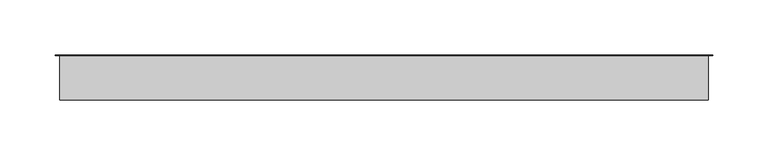
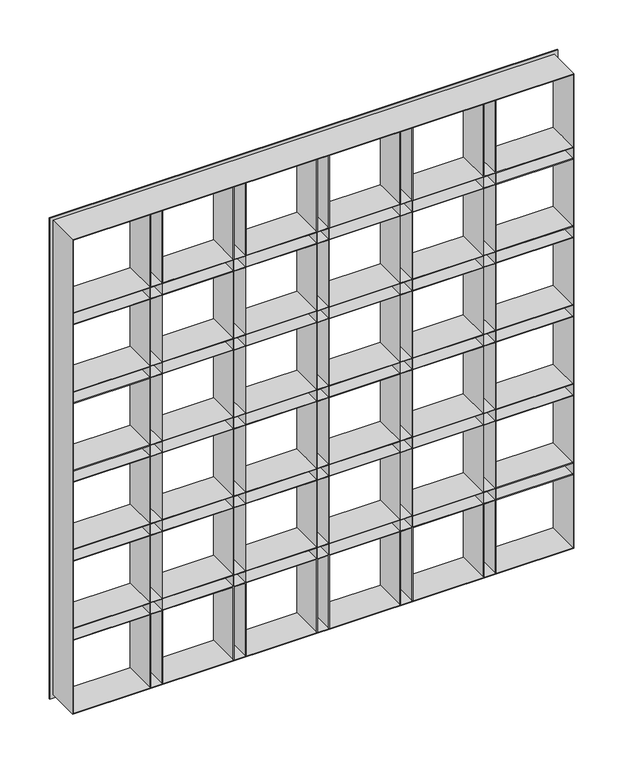
"""IFC4 building model written with IfcOpenShell, lengths in millimetres: plate geometry."""

from ifc_helpers import new_model, si_unit, origin, place, context, project, spatial, faceted_brep, source, transform, mapped, element, save


def plate_c7c22a5e(model_context):
    return source(origin(), model_context, "Body", "Brep", [
        faceted_brep([(-298.5, 0.0, -6.0), (-298.5, 0.0, 591.0), (298.5, 0.0, 591.0), (298.5, 0.0, -6.0), (-293.5, 0.0, 586.0), (-293.5, 0.0, 495.6666667), (-203.1666667, 0.0, 495.6666667), (-203.1666667, 0.0, 586.0), (293.5, 0.0, 495.6666667), (293.5, 0.0, 586.0), (203.1666667, 0.0, 586.0), (203.1666667, 0.0, 495.6666667), (188.1666667, 0.0, 495.6666667), (188.1666667, 0.0, 586.0), (105.3333333, 0.0, 586.0), (105.3333333, 0.0, 495.6666667), (293.5, 0.0, 480.6666667), (203.1666667, 0.0, 480.6666667), (203.1666667, 0.0, 397.8333333), (293.5, 0.0, 397.8333333), (203.1666667, 0.0, -1.0), (293.5, 0.0, -1.0), (293.5, 0.0, 89.3333333), (203.1666667, 0.0, 89.3333333), (293.5, 0.0, 382.8333333), (203.1666667, 0.0, 382.8333333), (203.1666667, 0.0, 300.0), (293.5, 0.0, 300.0), (-293.5, 0.0, 480.6666667), (-293.5, 0.0, 397.8333333), (-203.1666667, 0.0, 397.8333333), (-203.1666667, 0.0, 480.6666667), (188.1666667, 0.0, 397.8333333), (188.1666667, 0.0, 480.6666667), (105.3333333, 0.0, 480.6666667), (105.3333333, 0.0, 397.8333333), (293.5, 0.0, 285.0), (203.1666667, 0.0, 285.0), (203.1666667, 0.0, 202.1666667), (293.5, 0.0, 202.1666667), (-293.5, 0.0, 382.8333333), (-293.5, 0.0, 300.0), (-203.1666667, 0.0, 300.0), (-203.1666667, 0.0, 382.8333333), (188.1666667, 0.0, 300.0), (188.1666667, 0.0, 382.8333333), (105.3333333, 0.0, 382.8333333), (105.3333333, 0.0, 300.0), (293.5, 0.0, 187.1666667), (203.1666667, 0.0, 187.1666667), (203.1666667, 0.0, 104.3333333), (293.5, 0.0, 104.3333333), (-293.5, 0.0, 285.0), (-293.5, 0.0, 202.1666667), (-203.1666667, 0.0, 202.1666667), (-203.1666667, 0.0, 285.0), (188.1666667, 0.0, 202.1666667), (188.1666667, 0.0, 285.0), (105.3333333, 0.0, 285.0), (105.3333333, 0.0, 202.1666667), (-293.5, 0.0, 187.1666667), (-293.5, 0.0, 104.3333333), (-203.1666667, 0.0, 104.3333333), (-203.1666667, 0.0, 187.1666667), (-293.5, 0.0, 89.3333333), (-293.5, 0.0, -1.0), (-203.1666667, 0.0, -1.0), (-203.1666667, 0.0, 89.3333333), (188.1666667, 0.0, 104.3333333), (188.1666667, 0.0, 187.1666667), (105.3333333, 0.0, 187.1666667), (105.3333333, 0.0, 104.3333333), (188.1666667, 0.0, -1.0), (188.1666667, 0.0, 89.3333333), (105.3333333, 0.0, 89.3333333), (105.3333333, 0.0, -1.0), (90.3333333, 0.0, 495.6666667), (90.3333333, 0.0, 586.0), (7.5, 0.0, 586.0), (7.5, 0.0, 495.6666667), (90.3333333, 0.0, 397.8333333), (90.3333333, 0.0, 480.6666667), (7.5, 0.0, 480.6666667), (7.5, 0.0, 397.8333333), (90.3333333, 0.0, 300.0), (90.3333333, 0.0, 382.8333333), (7.5, 0.0, 382.8333333), (7.5, 0.0, 300.0), (90.3333333, 0.0, 202.1666667), (90.3333333, 0.0, 285.0), (7.5, 0.0, 285.0), (7.5, 0.0, 202.1666667), (90.3333333, 0.0, 104.3333333), (90.3333333, 0.0, 187.1666667), (7.5, 0.0, 187.1666667), (7.5, 0.0, 104.3333333), (90.3333333, 0.0, -1.0), (90.3333333, 0.0, 89.3333333), (7.5, 0.0, 89.3333333), (7.5, 0.0, -1.0), (-7.5, 0.0, 495.6666667), (-7.5, 0.0, 586.0), (-90.3333333, 0.0, 586.0), (-90.3333333, 0.0, 495.6666667), (-7.5, 0.0, 397.8333333), (-7.5, 0.0, 480.6666667), (-90.3333333, 0.0, 480.6666667), (-90.3333333, 0.0, 397.8333333), (-7.5, 0.0, 300.0), (-7.5, 0.0, 382.8333333), (-90.3333333, 0.0, 382.8333333), (-90.3333333, 0.0, 300.0), (-7.5, 0.0, 202.1666667), (-7.5, 0.0, 285.0), (-90.3333333, 0.0, 285.0), (-90.3333333, 0.0, 202.1666667), (-7.5, 0.0, 104.3333333), (-7.5, 0.0, 187.1666667), (-90.3333333, 0.0, 187.1666667), (-90.3333333, 0.0, 104.3333333), (-7.5, 0.0, -1.0), (-7.5, 0.0, 89.3333333), (-90.3333333, 0.0, 89.3333333), (-90.3333333, 0.0, -1.0), (-188.1666667, 0.0, 104.3333333), (-105.3333333, 0.0, 104.3333333), (-105.3333333, 0.0, 187.1666667), (-188.1666667, 0.0, 187.1666667), (-188.1666667, 0.0, 202.1666667), (-105.3333333, 0.0, 202.1666667), (-105.3333333, 0.0, 285.0), (-188.1666667, 0.0, 285.0), (-188.1666667, 0.0, 300.0), (-105.3333333, 0.0, 300.0), (-105.3333333, 0.0, 382.8333333), (-188.1666667, 0.0, 382.8333333), (-188.1666667, 0.0, 397.8333333), (-105.3333333, 0.0, 397.8333333), (-105.3333333, 0.0, 480.6666667), (-188.1666667, 0.0, 480.6666667), (-188.1666667, 0.0, 495.6666667), (-105.3333333, 0.0, 495.6666667), (-105.3333333, 0.0, 586.0), (-188.1666667, 0.0, 586.0), (-188.1666667, 0.0, -1.0), (-105.3333333, 0.0, -1.0), (-105.3333333, 0.0, 89.3333333), (-188.1666667, 0.0, 89.3333333), (-293.5, -40.0, 495.6666667), (-203.1666667, -40.0, 495.6666667), (293.5, -40.0, 495.6666667), (203.1666667, -40.0, 495.6666667), (188.9666667, -40.0, 495.6666667), (202.3666667, -40.0, 495.6666667), (202.3666667, -0.8, 495.6666667), (188.9666667, -0.8, 495.6666667), (188.1666667, -40.0, 495.6666667), (105.3333333, -40.0, 495.6666667), (91.1333333, -40.0, 495.6666667), (104.5333333, -40.0, 495.6666667), (104.5333333, -0.8, 495.6666667), (91.1333333, -0.8, 495.6666667), (90.3333333, -40.0, 495.6666667), (7.5, -40.0, 495.6666667), (-6.7, -40.0, 495.6666667), (6.7, -40.0, 495.6666667), (6.7, -0.8, 495.6666667), (-6.7, -0.8, 495.6666667), (-7.5, -40.0, 495.6666667), (-90.3333333, -40.0, 495.6666667), (-202.3666667, -40.0, 495.6666667), (-188.9666667, -40.0, 495.6666667), (-188.9666667, -0.8, 495.6666667), (-202.3666667, -0.8, 495.6666667), (-188.1666667, -40.0, 495.6666667), (-105.3333333, -40.0, 495.6666667), (-104.5333333, -40.0, 495.6666667), (-91.1333333, -40.0, 495.6666667), (-91.1333333, -0.8, 495.6666667), (-104.5333333, -0.8, 495.6666667), (-293.5, -40.0, 494.8666667), (-203.1666667, -40.0, 494.8666667), (-203.1666667, -40.0, 481.4666667), (-293.5, -40.0, 481.4666667), (-293.5, -40.0, 480.6666667), (-203.1666667, -40.0, 480.6666667), (-203.1666667, -40.0, 397.8333333), (-293.5, -40.0, 397.8333333), (-293.5, -40.0, 397.0333333), (-203.1666667, -40.0, 397.0333333), (-203.1666667, -40.0, 383.6333333), (-293.5, -40.0, 383.6333333), (-293.5, -40.0, 382.8333333), (-203.1666667, -40.0, 382.8333333), (-203.1666667, -40.0, 300.0), (-293.5, -40.0, 300.0), (-293.5, -40.0, 299.2), (-203.1666667, -40.0, 299.2), (-203.1666667, -40.0, 285.8), (-293.5, -40.0, 285.8), (-293.5, -40.0, 285.0), (-203.1666667, -40.0, 285.0), (-203.1666667, -40.0, 202.1666667), (-293.5, -40.0, 202.1666667), (-293.5, -40.0, 201.3666667), (-203.1666667, -40.0, 201.3666667), (-203.1666667, -40.0, 187.9666667), (-293.5, -40.0, 187.9666667), (-293.5, -40.0, 187.1666667), (-203.1666667, -40.0, 187.1666667), (-203.1666667, -40.0, 104.3333333), (-293.5, -40.0, 104.3333333), (-293.5, -40.0, 103.5333333), (-203.1666667, -40.0, 103.5333333), (-203.1666667, -40.0, 90.1333333), (-293.5, -40.0, 90.1333333), (-293.5, -40.0, 89.3333333), (-203.1666667, -40.0, 89.3333333), (-203.1666667, -40.0, -1.0), (-202.3666667, -40.0, -1.0), (-202.3666667, -40.0, 89.3333333), (-188.9666667, -40.0, 89.3333333), (-188.9666667, -40.0, -1.0), (-188.1666667, -40.0, -1.0), (-188.1666667, -40.0, 89.3333333), (-105.3333333, -40.0, 89.3333333), (-105.3333333, -40.0, -1.0), (-104.5333333, -40.0, -1.0), (-104.5333333, -40.0, 89.3333333), (-91.1333333, -40.0, 89.3333333), (-91.1333333, -40.0, -1.0), (-90.3333333, -40.0, -1.0), (-90.3333333, -40.0, 89.3333333), (-7.5, -40.0, 89.3333333), (-7.5, -40.0, -1.0), (-6.7, -40.0, -1.0), (-6.7, -40.0, 89.3333333), (6.7, -40.0, 89.3333333), (6.7, -40.0, -1.0), (7.5, -40.0, -1.0), (7.5, -40.0, 89.3333333), (90.3333333, -40.0, 89.3333333), (90.3333333, -40.0, -1.0), (91.1333333, -40.0, -1.0), (91.1333333, -40.0, 89.3333333), (104.5333333, -40.0, 89.3333333), (104.5333333, -40.0, -1.0), (105.3333333, -40.0, -1.0), (105.3333333, -40.0, 89.3333333), (188.1666667, -40.0, 89.3333333), (188.1666667, -40.0, -1.0), (188.9666667, -40.0, -1.0), (188.9666667, -40.0, 89.3333333), (202.3666667, -40.0, 89.3333333), (202.3666667, -40.0, -1.0), (203.1666667, -40.0, -1.0), (203.1666667, -40.0, 89.3333333), (293.5, -40.0, 89.3333333), (293.5, -40.0, 90.1333333), (203.1666667, -40.0, 90.1333333), (203.1666667, -40.0, 103.5333333), (293.5, -40.0, 103.5333333), (293.5, -40.0, 104.3333333), (203.1666667, -40.0, 104.3333333), (203.1666667, -40.0, 187.1666667), (293.5, -40.0, 187.1666667), (293.5, -40.0, 187.9666667), (203.1666667, -40.0, 187.9666667), (203.1666667, -40.0, 201.3666667), (293.5, -40.0, 201.3666667), (293.5, -40.0, 202.1666667), (203.1666667, -40.0, 202.1666667), (203.1666667, -40.0, 285.0), (293.5, -40.0, 285.0), (293.5, -40.0, 285.8), (203.1666667, -40.0, 285.8), (203.1666667, -40.0, 299.2), (293.5, -40.0, 299.2), (293.5, -40.0, 300.0), (203.1666667, -40.0, 300.0), (203.1666667, -40.0, 382.8333333), (293.5, -40.0, 382.8333333), (293.5, -40.0, 383.6333333), (203.1666667, -40.0, 383.6333333), (203.1666667, -40.0, 397.0333333), (293.5, -40.0, 397.0333333), (293.5, -40.0, 397.8333333), (203.1666667, -40.0, 397.8333333), (203.1666667, -40.0, 480.6666667), (293.5, -40.0, 480.6666667), (293.5, -40.0, 481.4666667), (203.1666667, -40.0, 481.4666667), (203.1666667, -40.0, 494.8666667), (293.5, -40.0, 494.8666667), (203.1666667, -40.0, 586.0), (202.3666667, -40.0, 586.0), (188.9666667, -40.0, 586.0), (188.1666667, -40.0, 586.0), (105.3333333, -40.0, 586.0), (104.5333333, -40.0, 586.0), (91.1333333, -40.0, 586.0), (90.3333333, -40.0, 586.0), (7.5, -40.0, 586.0), (6.7, -40.0, 586.0), (-6.7, -40.0, 586.0), (-7.5, -40.0, 586.0), (-90.3333333, -40.0, 586.0), (-91.1333333, -40.0, 586.0), (-104.5333333, -40.0, 586.0), (-105.3333333, -40.0, 586.0), (-188.1666667, -40.0, 586.0), (-188.9666667, -40.0, 586.0), (-202.3666667, -40.0, 586.0), (-203.1666667, -40.0, 586.0), (188.9666667, -40.0, 494.8666667), (202.3666667, -40.0, 494.8666667), (202.3666667, -40.0, 481.4666667), (188.9666667, -40.0, 481.4666667), (188.1666667, -40.0, 494.8666667), (188.1666667, -40.0, 481.4666667), (105.3333333, -40.0, 481.4666667), (105.3333333, -40.0, 494.8666667), (188.9666667, -40.0, 480.6666667), (202.3666667, -40.0, 480.6666667), (202.3666667, -40.0, 397.8333333), (188.9666667, -40.0, 397.8333333), (202.3666667, -40.0, 397.0333333), (202.3666667, -40.0, 383.6333333), (188.9666667, -40.0, 383.6333333), (188.9666667, -40.0, 397.0333333), (188.1666667, -40.0, 480.6666667), (188.1666667, -40.0, 397.8333333), (105.3333333, -40.0, 397.8333333), (105.3333333, -40.0, 480.6666667), (188.1666667, -40.0, 397.0333333), (188.1666667, -40.0, 383.6333333), (105.3333333, -40.0, 383.6333333), (105.3333333, -40.0, 397.0333333), (188.9666667, -40.0, 382.8333333), (202.3666667, -40.0, 382.8333333), (202.3666667, -40.0, 300.0), (188.9666667, -40.0, 300.0), (188.1666667, -40.0, 382.8333333), (188.1666667, -40.0, 300.0), (105.3333333, -40.0, 300.0), (105.3333333, -40.0, 382.8333333), (188.1666667, -40.0, 299.2), (188.1666667, -40.0, 285.8), (105.3333333, -40.0, 285.8), (105.3333333, -40.0, 299.2), (202.3666667, -40.0, 299.2), (202.3666667, -40.0, 285.8), (188.9666667, -40.0, 285.8), (188.9666667, -40.0, 299.2), (188.9666667, -40.0, 285.0), (202.3666667, -40.0, 285.0), (202.3666667, -40.0, 202.1666667), (188.9666667, -40.0, 202.1666667), (188.1666667, -40.0, 285.0), (188.1666667, -40.0, 202.1666667), (105.3333333, -40.0, 202.1666667), (105.3333333, -40.0, 285.0), (188.1666667, -40.0, 201.3666667), (188.1666667, -40.0, 187.9666667), (105.3333333, -40.0, 187.9666667), (105.3333333, -40.0, 201.3666667), (202.3666667, -40.0, 201.3666667), (202.3666667, -40.0, 187.9666667), (188.9666667, -40.0, 187.9666667), (188.9666667, -40.0, 201.3666667), (188.9666667, -40.0, 187.1666667), (202.3666667, -40.0, 187.1666667), (202.3666667, -40.0, 104.3333333), (188.9666667, -40.0, 104.3333333), (188.1666667, -40.0, 187.1666667), (188.1666667, -40.0, 104.3333333), (105.3333333, -40.0, 104.3333333), (105.3333333, -40.0, 187.1666667), (188.1666667, -40.0, 103.5333333), (188.1666667, -40.0, 90.1333333), (105.3333333, -40.0, 90.1333333), (105.3333333, -40.0, 103.5333333), (202.3666667, -40.0, 103.5333333), (202.3666667, -40.0, 90.1333333), (188.9666667, -40.0, 90.1333333), (188.9666667, -40.0, 103.5333333), (91.1333333, -40.0, 494.8666667), (104.5333333, -40.0, 494.8666667), (104.5333333, -40.0, 481.4666667), (91.1333333, -40.0, 481.4666667), (91.1333333, -40.0, 480.6666667), (104.5333333, -40.0, 480.6666667), (104.5333333, -40.0, 397.8333333), (91.1333333, -40.0, 397.8333333), (91.1333333, -40.0, 397.0333333), (104.5333333, -40.0, 397.0333333), (104.5333333, -40.0, 383.6333333), (91.1333333, -40.0, 383.6333333), (91.1333333, -40.0, 382.8333333), (104.5333333, -40.0, 382.8333333), (104.5333333, -40.0, 300.0), (91.1333333, -40.0, 300.0), (91.1333333, -40.0, 299.2), (104.5333333, -40.0, 299.2), (104.5333333, -40.0, 285.8), (91.1333333, -40.0, 285.8), (91.1333333, -40.0, 285.0), (104.5333333, -40.0, 285.0), (104.5333333, -40.0, 202.1666667), (91.1333333, -40.0, 202.1666667), (91.1333333, -40.0, 201.3666667), (104.5333333, -40.0, 201.3666667), (104.5333333, -40.0, 187.9666667), (91.1333333, -40.0, 187.9666667), (91.1333333, -40.0, 187.1666667), (104.5333333, -40.0, 187.1666667), (104.5333333, -40.0, 104.3333333), (91.1333333, -40.0, 104.3333333), (91.1333333, -40.0, 103.5333333), (104.5333333, -40.0, 103.5333333), (104.5333333, -40.0, 90.1333333), (91.1333333, -40.0, 90.1333333), (90.3333333, -40.0, 494.8666667), (90.3333333, -40.0, 481.4666667), (7.5, -40.0, 481.4666667), (7.5, -40.0, 494.8666667), (90.3333333, -40.0, 480.6666667), (90.3333333, -40.0, 397.8333333), (7.5, -40.0, 397.8333333), (7.5, -40.0, 480.6666667), (90.3333333, -40.0, 397.0333333), (90.3333333, -40.0, 383.6333333), (7.5, -40.0, 383.6333333), (7.5, -40.0, 397.0333333), (90.3333333, -40.0, 382.8333333), (90.3333333, -40.0, 300.0), (7.5, -40.0, 300.0), (7.5, -40.0, 382.8333333), (90.3333333, -40.0, 299.2), (90.3333333, -40.0, 285.8), (7.5, -40.0, 285.8), (7.5, -40.0, 299.2), (90.3333333, -40.0, 285.0), (90.3333333, -40.0, 202.1666667), (7.5, -40.0, 202.1666667), (7.5, -40.0, 285.0), (90.3333333, -40.0, 201.3666667), (90.3333333, -40.0, 187.9666667), (7.5, -40.0, 187.9666667), (7.5, -40.0, 201.3666667), (90.3333333, -40.0, 187.1666667), (90.3333333, -40.0, 104.3333333), (7.5, -40.0, 104.3333333), (7.5, -40.0, 187.1666667), (90.3333333, -40.0, 103.5333333), (90.3333333, -40.0, 90.1333333), (7.5, -40.0, 90.1333333), (7.5, -40.0, 103.5333333), (-6.7, -40.0, 494.8666667), (6.7, -40.0, 494.8666667), (6.7, -40.0, 481.4666667), (-6.7, -40.0, 481.4666667), (-6.7, -40.0, 480.6666667), (6.7, -40.0, 480.6666667), (6.7, -40.0, 397.8333333), (-6.7, -40.0, 397.8333333), (-6.7, -40.0, 397.0333333), (6.7, -40.0, 397.0333333), (6.7, -40.0, 383.6333333), (-6.7, -40.0, 383.6333333), (-6.7, -40.0, 382.8333333), (6.7, -40.0, 382.8333333), (6.7, -40.0, 300.0), (-6.7, -40.0, 300.0), (-6.7, -40.0, 299.2), (6.7, -40.0, 299.2), (6.7, -40.0, 285.8), (-6.7, -40.0, 285.8), (-6.7, -40.0, 285.0), (6.7, -40.0, 285.0), (6.7, -40.0, 202.1666667), (-6.7, -40.0, 202.1666667), (-6.7, -40.0, 201.3666667), (6.7, -40.0, 201.3666667), (6.7, -40.0, 187.9666667), (-6.7, -40.0, 187.9666667), (-6.7, -40.0, 187.1666667), (6.7, -40.0, 187.1666667), (6.7, -40.0, 104.3333333), (-6.7, -40.0, 104.3333333), (-6.7, -40.0, 103.5333333), (6.7, -40.0, 103.5333333), (6.7, -40.0, 90.1333333), (-6.7, -40.0, 90.1333333), (-7.5, -40.0, 494.8666667), (-7.5, -40.0, 481.4666667), (-90.3333333, -40.0, 481.4666667), (-90.3333333, -40.0, 494.8666667), (-7.5, -40.0, 480.6666667), (-7.5, -40.0, 397.8333333), (-90.3333333, -40.0, 397.8333333), (-90.3333333, -40.0, 480.6666667), (-7.5, -40.0, 397.0333333), (-7.5, -40.0, 383.6333333), (-90.3333333, -40.0, 383.6333333), (-90.3333333, -40.0, 397.0333333), (-7.5, -40.0, 382.8333333), (-7.5, -40.0, 300.0), (-90.3333333, -40.0, 300.0), (-90.3333333, -40.0, 382.8333333), (-7.5, -40.0, 299.2), (-7.5, -40.0, 285.8), (-90.3333333, -40.0, 285.8), (-90.3333333, -40.0, 299.2), (-7.5, -40.0, 285.0), (-7.5, -40.0, 202.1666667), (-90.3333333, -40.0, 202.1666667), (-90.3333333, -40.0, 285.0), (-7.5, -40.0, 201.3666667), (-7.5, -40.0, 187.9666667), (-90.3333333, -40.0, 187.9666667), (-90.3333333, -40.0, 201.3666667), (-7.5, -40.0, 187.1666667), (-7.5, -40.0, 104.3333333), (-90.3333333, -40.0, 104.3333333), (-90.3333333, -40.0, 187.1666667), (-7.5, -40.0, 103.5333333), (-7.5, -40.0, 90.1333333), (-90.3333333, -40.0, 90.1333333), (-90.3333333, -40.0, 103.5333333), (-202.3666667, -40.0, 494.8666667), (-188.9666667, -40.0, 494.8666667), (-188.9666667, -40.0, 481.4666667), (-202.3666667, -40.0, 481.4666667), (-202.3666667, -40.0, 480.6666667), (-188.9666667, -40.0, 480.6666667), (-188.9666667, -40.0, 397.8333333), (-202.3666667, -40.0, 397.8333333), (-202.3666667, -40.0, 397.0333333), (-188.9666667, -40.0, 397.0333333), (-188.9666667, -40.0, 383.6333333), (-202.3666667, -40.0, 383.6333333), (-202.3666667, -40.0, 382.8333333), (-188.9666667, -40.0, 382.8333333), (-188.9666667, -40.0, 300.0), (-202.3666667, -40.0, 300.0), (-202.3666667, -40.0, 299.2), (-188.9666667, -40.0, 299.2), (-188.9666667, -40.0, 285.8), (-202.3666667, -40.0, 285.8), (-202.3666667, -40.0, 285.0), (-188.9666667, -40.0, 285.0), (-188.9666667, -40.0, 202.1666667), (-202.3666667, -40.0, 202.1666667), (-202.3666667, -40.0, 201.3666667), (-188.9666667, -40.0, 201.3666667), (-188.9666667, -40.0, 187.9666667), (-202.3666667, -40.0, 187.9666667), (-202.3666667, -40.0, 187.1666667), (-188.9666667, -40.0, 187.1666667), (-188.9666667, -40.0, 104.3333333), (-202.3666667, -40.0, 104.3333333), (-202.3666667, -40.0, 103.5333333), (-188.9666667, -40.0, 103.5333333), (-188.9666667, -40.0, 90.1333333), (-202.3666667, -40.0, 90.1333333), (-188.1666667, -40.0, 494.8666667), (-105.3333333, -40.0, 494.8666667), (-105.3333333, -40.0, 481.4666667), (-188.1666667, -40.0, 481.4666667), (-104.5333333, -40.0, 494.8666667), (-91.1333333, -40.0, 494.8666667), (-91.1333333, -40.0, 481.4666667), (-104.5333333, -40.0, 481.4666667), (-188.1666667, -40.0, 480.6666667), (-105.3333333, -40.0, 480.6666667), (-105.3333333, -40.0, 397.8333333), (-188.1666667, -40.0, 397.8333333), (-104.5333333, -40.0, 480.6666667), (-91.1333333, -40.0, 480.6666667), (-91.1333333, -40.0, 397.8333333), (-104.5333333, -40.0, 397.8333333), (-188.1666667, -40.0, 397.0333333), (-105.3333333, -40.0, 397.0333333), (-105.3333333, -40.0, 383.6333333), (-188.1666667, -40.0, 383.6333333), (-104.5333333, -40.0, 397.0333333), (-91.1333333, -40.0, 397.0333333), (-91.1333333, -40.0, 383.6333333), (-104.5333333, -40.0, 383.6333333), (-188.1666667, -40.0, 382.8333333), (-105.3333333, -40.0, 382.8333333), (-105.3333333, -40.0, 300.0), (-188.1666667, -40.0, 300.0), (-104.5333333, -40.0, 382.8333333), (-91.1333333, -40.0, 382.8333333), (-91.1333333, -40.0, 300.0), (-104.5333333, -40.0, 300.0), (-188.1666667, -40.0, 299.2), (-105.3333333, -40.0, 299.2), (-105.3333333, -40.0, 285.8), (-188.1666667, -40.0, 285.8), (-104.5333333, -40.0, 299.2), (-91.1333333, -40.0, 299.2), (-91.1333333, -40.0, 285.8), (-104.5333333, -40.0, 285.8), (-188.1666667, -40.0, 285.0), (-105.3333333, -40.0, 285.0), (-105.3333333, -40.0, 202.1666667), (-188.1666667, -40.0, 202.1666667), (-104.5333333, -40.0, 285.0), (-91.1333333, -40.0, 285.0), (-91.1333333, -40.0, 202.1666667), (-104.5333333, -40.0, 202.1666667), (-188.1666667, -40.0, 201.3666667), (-105.3333333, -40.0, 201.3666667), (-105.3333333, -40.0, 187.9666667), (-188.1666667, -40.0, 187.9666667), (-104.5333333, -40.0, 201.3666667), (-91.1333333, -40.0, 201.3666667), (-91.1333333, -40.0, 187.9666667), (-104.5333333, -40.0, 187.9666667), (-188.1666667, -40.0, 187.1666667), (-105.3333333, -40.0, 187.1666667), (-105.3333333, -40.0, 104.3333333), (-188.1666667, -40.0, 104.3333333), (-104.5333333, -40.0, 187.1666667), (-91.1333333, -40.0, 187.1666667), (-91.1333333, -40.0, 104.3333333), (-104.5333333, -40.0, 104.3333333), (-188.1666667, -40.0, 103.5333333), (-105.3333333, -40.0, 103.5333333), (-105.3333333, -40.0, 90.1333333), (-188.1666667, -40.0, 90.1333333), (-104.5333333, -40.0, 103.5333333), (-91.1333333, -40.0, 103.5333333), (-91.1333333, -40.0, 90.1333333), (-104.5333333, -40.0, 90.1333333), (188.9666667, -0.8, 494.8666667), (202.3666667, -0.8, 494.8666667), (91.1333333, -0.8, 494.8666667), (104.5333333, -0.8, 494.8666667), (-6.7, -0.8, 494.8666667), (6.7, -0.8, 494.8666667), (-202.3666667, -0.8, 494.8666667), (-188.9666667, -0.8, 494.8666667), (-104.5333333, -0.8, 494.8666667), (-91.1333333, -0.8, 494.8666667), (-293.5, -0.8, 494.8666667), (-203.1666667, -0.8, 494.8666667), (293.5, -0.8, 494.8666667), (203.1666667, -0.8, 494.8666667), (188.1666667, -0.8, 494.8666667), (105.3333333, -0.8, 494.8666667), (90.3333333, -0.8, 494.8666667), (7.5, -0.8, 494.8666667), (-7.5, -0.8, 494.8666667), (-90.3333333, -0.8, 494.8666667), (-188.1666667, -0.8, 494.8666667), (-105.3333333, -0.8, 494.8666667), (188.9666667, -0.8, 481.4666667), (202.3666667, -0.8, 481.4666667), (91.1333333, -0.8, 481.4666667), (104.5333333, -0.8, 481.4666667), (-6.7, -0.8, 481.4666667), (6.7, -0.8, 481.4666667), (-202.3666667, -0.8, 481.4666667), (-188.9666667, -0.8, 481.4666667), (-104.5333333, -0.8, 481.4666667), (-91.1333333, -0.8, 481.4666667), (-293.5, -0.8, 481.4666667), (-203.1666667, -0.8, 481.4666667), (293.5, -0.8, 481.4666667), (203.1666667, -0.8, 481.4666667), (188.1666667, -0.8, 481.4666667), (105.3333333, -0.8, 481.4666667), (90.3333333, -0.8, 481.4666667), (7.5, -0.8, 481.4666667), (-7.5, -0.8, 481.4666667), (-90.3333333, -0.8, 481.4666667), (-188.1666667, -0.8, 481.4666667), (-105.3333333, -0.8, 481.4666667), (188.9666667, -0.8, 480.6666667), (202.3666667, -0.8, 480.6666667), (91.1333333, -0.8, 480.6666667), (104.5333333, -0.8, 480.6666667), (-6.7, -0.8, 480.6666667), (6.7, -0.8, 480.6666667), (-202.3666667, -0.8, 480.6666667), (-188.9666667, -0.8, 480.6666667), (-104.5333333, -0.8, 480.6666667), (-91.1333333, -0.8, 480.6666667), (-293.5, -40.8, -1.0), (-293.5, -0.8, 90.1333333), (-293.5, -0.8, 103.5333333), (-293.5, -0.8, 187.9666667), (-293.5, -0.8, 201.3666667), (-293.5, -0.8, 285.8), (-293.5, -0.8, 299.2), (-293.5, -0.8, 383.6333333), (-293.5, -0.8, 397.0333333), (-293.5, -40.8, 586.0), (-294.3, -0.8, -1.8), (-294.3, -40.8, -1.8), (-294.3, -40.8, 586.8), (-294.3, -0.8, 586.8), (-298.5, -0.8, -6.0), (-298.5, -0.8, 591.0), (-202.3666667, -0.8, 586.0), (-188.9666667, -0.8, 586.0), (-104.5333333, -0.8, 586.0), (-91.1333333, -0.8, 586.0), (-6.7, -0.8, 586.0), (6.7, -0.8, 586.0), (91.1333333, -0.8, 586.0), (104.5333333, -0.8, 586.0), (188.9666667, -0.8, 586.0), (202.3666667, -0.8, 586.0), (293.5, -40.8, 586.0), (294.3, -40.8, 586.8), (294.3, -0.8, 586.8), (298.5, -0.8, 591.0), (293.5, -0.8, 397.0333333), (293.5, -0.8, 383.6333333), (293.5, -0.8, 299.2), (293.5, -0.8, 285.8), (293.5, -0.8, 201.3666667), (293.5, -0.8, 187.9666667), (293.5, -0.8, 103.5333333), (293.5, -0.8, 90.1333333), (293.5, -40.8, -1.0), (294.3, -40.8, -1.8), (294.3, -0.8, -1.8), (298.5, -0.8, -6.0), (202.3666667, -0.8, -1.0), (188.9666667, -0.8, -1.0), (104.5333333, -0.8, -1.0), (91.1333333, -0.8, -1.0), (6.7, -0.8, -1.0), (-6.7, -0.8, -1.0), (-91.1333333, -0.8, -1.0), (-104.5333333, -0.8, -1.0), (-188.9666667, -0.8, -1.0), (-202.3666667, -0.8, -1.0), (188.1666667, -0.8, 397.0333333), (188.1666667, -0.8, 383.6333333), (188.1666667, -0.8, 299.2), (188.1666667, -0.8, 285.8), (188.1666667, -0.8, 201.3666667), (188.1666667, -0.8, 187.9666667), (188.1666667, -0.8, 103.5333333), (188.1666667, -0.8, 90.1333333), (188.9666667, -0.8, 383.6333333), (188.9666667, -0.8, 397.0333333), (188.9666667, -0.8, 285.8), (188.9666667, -0.8, 299.2), (188.9666667, -0.8, 187.9666667), (188.9666667, -0.8, 201.3666667), (188.9666667, -0.8, 90.1333333), (188.9666667, -0.8, 103.5333333), (188.9666667, -0.8, 397.8333333), (188.9666667, -0.8, 89.3333333), (188.9666667, -0.8, 382.8333333), (188.9666667, -0.8, 300.0), (188.9666667, -0.8, 285.0), (188.9666667, -0.8, 202.1666667), (188.9666667, -0.8, 187.1666667), (188.9666667, -0.8, 104.3333333), (202.3666667, -0.8, 397.8333333), (202.3666667, -0.8, 89.3333333), (202.3666667, -0.8, 383.6333333), (202.3666667, -0.8, 397.0333333), (202.3666667, -0.8, 285.8), (202.3666667, -0.8, 299.2), (202.3666667, -0.8, 187.9666667), (202.3666667, -0.8, 201.3666667), (202.3666667, -0.8, 90.1333333), (202.3666667, -0.8, 103.5333333), (202.3666667, -0.8, 382.8333333), (202.3666667, -0.8, 300.0), (202.3666667, -0.8, 285.0), (202.3666667, -0.8, 202.1666667), (202.3666667, -0.8, 187.1666667), (202.3666667, -0.8, 104.3333333), (203.1666667, -0.8, 90.1333333), (203.1666667, -0.8, 103.5333333), (203.1666667, -0.8, 187.9666667), (203.1666667, -0.8, 201.3666667), (203.1666667, -0.8, 285.8), (203.1666667, -0.8, 299.2), (203.1666667, -0.8, 383.6333333), (203.1666667, -0.8, 397.0333333), (104.5333333, -0.8, 397.8333333), (91.1333333, -0.8, 397.8333333), (6.7, -0.8, 397.8333333), (-6.7, -0.8, 397.8333333), (-188.9666667, -0.8, 397.8333333), (-202.3666667, -0.8, 397.8333333), (-91.1333333, -0.8, 397.8333333), (-104.5333333, -0.8, 397.8333333), (91.1333333, -0.8, 397.0333333), (104.5333333, -0.8, 397.0333333), (-6.7, -0.8, 397.0333333), (6.7, -0.8, 397.0333333), (-202.3666667, -0.8, 397.0333333), (-188.9666667, -0.8, 397.0333333), (-104.5333333, -0.8, 397.0333333), (-91.1333333, -0.8, 397.0333333), (-203.1666667, -0.8, 397.0333333), (105.3333333, -0.8, 397.0333333), (90.3333333, -0.8, 397.0333333), (7.5, -0.8, 397.0333333), (-7.5, -0.8, 397.0333333), (-90.3333333, -0.8, 397.0333333), (-188.1666667, -0.8, 397.0333333), (-105.3333333, -0.8, 397.0333333), (-203.1666667, -0.8, 383.6333333), (105.3333333, -0.8, 383.6333333), (91.1333333, -0.8, 383.6333333), (104.5333333, -0.8, 383.6333333), (-6.7, -0.8, 383.6333333), (6.7, -0.8, 383.6333333), (-202.3666667, -0.8, 383.6333333), (-188.9666667, -0.8, 383.6333333), (-104.5333333, -0.8, 383.6333333), (-91.1333333, -0.8, 383.6333333), (90.3333333, -0.8, 383.6333333), (7.5, -0.8, 383.6333333), (-7.5, -0.8, 383.6333333), (-90.3333333, -0.8, 383.6333333), (-188.1666667, -0.8, 383.6333333), (-105.3333333, -0.8, 383.6333333), (91.1333333, -0.8, 382.8333333), (104.5333333, -0.8, 382.8333333), (-6.7, -0.8, 382.8333333), (6.7, -0.8, 382.8333333), (-202.3666667, -0.8, 382.8333333), (-188.9666667, -0.8, 382.8333333), (-104.5333333, -0.8, 382.8333333), (-91.1333333, -0.8, 382.8333333), (104.5333333, -0.8, 300.0), (91.1333333, -0.8, 300.0), (6.7, -0.8, 300.0), (-6.7, -0.8, 300.0), (-188.9666667, -0.8, 300.0), (-202.3666667, -0.8, 300.0), (-91.1333333, -0.8, 300.0), (-104.5333333, -0.8, 300.0), (91.1333333, -0.8, 299.2), (104.5333333, -0.8, 299.2), (-6.7, -0.8, 299.2), (6.7, -0.8, 299.2), (-202.3666667, -0.8, 299.2), (-188.9666667, -0.8, 299.2), (-104.5333333, -0.8, 299.2), (-91.1333333, -0.8, 299.2), (-203.1666667, -0.8, 299.2), (105.3333333, -0.8, 299.2), (90.3333333, -0.8, 299.2), (7.5, -0.8, 299.2), (-7.5, -0.8, 299.2), (-90.3333333, -0.8, 299.2), (-188.1666667, -0.8, 299.2), (-105.3333333, -0.8, 299.2), (-203.1666667, -0.8, 285.8), (105.3333333, -0.8, 285.8), (91.1333333, -0.8, 285.8), (104.5333333, -0.8, 285.8), (-6.7, -0.8, 285.8), (6.7, -0.8, 285.8), (-202.3666667, -0.8, 285.8), (-188.9666667, -0.8, 285.8), (-104.5333333, -0.8, 285.8), (-91.1333333, -0.8, 285.8), (90.3333333, -0.8, 285.8), (7.5, -0.8, 285.8), (-7.5, -0.8, 285.8), (-90.3333333, -0.8, 285.8), (-188.1666667, -0.8, 285.8), (-105.3333333, -0.8, 285.8), (91.1333333, -0.8, 285.0), (104.5333333, -0.8, 285.0), (-6.7, -0.8, 285.0), (6.7, -0.8, 285.0), (-202.3666667, -0.8, 285.0), (-188.9666667, -0.8, 285.0), (-104.5333333, -0.8, 285.0), (-91.1333333, -0.8, 285.0), (104.5333333, -0.8, 202.1666667), (91.1333333, -0.8, 202.1666667), (6.7, -0.8, 202.1666667), (-6.7, -0.8, 202.1666667), (-188.9666667, -0.8, 202.1666667), (-202.3666667, -0.8, 202.1666667), (-91.1333333, -0.8, 202.1666667), (-104.5333333, -0.8, 202.1666667), (91.1333333, -0.8, 201.3666667), (104.5333333, -0.8, 201.3666667), (-6.7, -0.8, 201.3666667), (6.7, -0.8, 201.3666667), (-202.3666667, -0.8, 201.3666667), (-188.9666667, -0.8, 201.3666667), (-104.5333333, -0.8, 201.3666667), (-91.1333333, -0.8, 201.3666667), (-203.1666667, -0.8, 201.3666667), (105.3333333, -0.8, 201.3666667), (90.3333333, -0.8, 201.3666667), (7.5, -0.8, 201.3666667), (-7.5, -0.8, 201.3666667), (-90.3333333, -0.8, 201.3666667), (-188.1666667, -0.8, 201.3666667), (-105.3333333, -0.8, 201.3666667), (-203.1666667, -0.8, 187.9666667), (105.3333333, -0.8, 187.9666667), (91.1333333, -0.8, 187.9666667), (104.5333333, -0.8, 187.9666667), (-6.7, -0.8, 187.9666667), (6.7, -0.8, 187.9666667), (-202.3666667, -0.8, 187.9666667), (-188.9666667, -0.8, 187.9666667), (-104.5333333, -0.8, 187.9666667), (-91.1333333, -0.8, 187.9666667), (90.3333333, -0.8, 187.9666667), (7.5, -0.8, 187.9666667), (-7.5, -0.8, 187.9666667), (-90.3333333, -0.8, 187.9666667), (-188.1666667, -0.8, 187.9666667), (-105.3333333, -0.8, 187.9666667), (91.1333333, -0.8, 187.1666667), (104.5333333, -0.8, 187.1666667), (-6.7, -0.8, 187.1666667), (6.7, -0.8, 187.1666667), (-202.3666667, -0.8, 187.1666667), (-188.9666667, -0.8, 187.1666667), (-104.5333333, -0.8, 187.1666667), (-91.1333333, -0.8, 187.1666667), (104.5333333, -0.8, 104.3333333), (91.1333333, -0.8, 104.3333333), (6.7, -0.8, 104.3333333), (-6.7, -0.8, 104.3333333), (-188.9666667, -0.8, 104.3333333), (-202.3666667, -0.8, 104.3333333), (-91.1333333, -0.8, 104.3333333), (-104.5333333, -0.8, 104.3333333), (91.1333333, -0.8, 103.5333333), (104.5333333, -0.8, 103.5333333), (-6.7, -0.8, 103.5333333), (6.7, -0.8, 103.5333333), (-202.3666667, -0.8, 103.5333333), (-188.9666667, -0.8, 103.5333333), (-104.5333333, -0.8, 103.5333333), (-91.1333333, -0.8, 103.5333333), (-203.1666667, -0.8, 103.5333333), (105.3333333, -0.8, 103.5333333), (90.3333333, -0.8, 103.5333333), (7.5, -0.8, 103.5333333), (-7.5, -0.8, 103.5333333), (-90.3333333, -0.8, 103.5333333), (-188.1666667, -0.8, 103.5333333), (-105.3333333, -0.8, 103.5333333), (-203.1666667, -0.8, 90.1333333), (105.3333333, -0.8, 90.1333333), (91.1333333, -0.8, 90.1333333), (104.5333333, -0.8, 90.1333333), (-6.7, -0.8, 90.1333333), (6.7, -0.8, 90.1333333), (-202.3666667, -0.8, 90.1333333), (-188.9666667, -0.8, 90.1333333), (-104.5333333, -0.8, 90.1333333), (-91.1333333, -0.8, 90.1333333), (90.3333333, -0.8, 90.1333333), (7.5, -0.8, 90.1333333), (-7.5, -0.8, 90.1333333), (-90.3333333, -0.8, 90.1333333), (-188.1666667, -0.8, 90.1333333), (-105.3333333, -0.8, 90.1333333), (-202.3666667, -0.8, 89.3333333), (-188.9666667, -0.8, 89.3333333), (-104.5333333, -0.8, 89.3333333), (-91.1333333, -0.8, 89.3333333), (-6.7, -0.8, 89.3333333), (6.7, -0.8, 89.3333333), (91.1333333, -0.8, 89.3333333), (104.5333333, -0.8, 89.3333333)], [[[0, 1, 2, 3], [4, 5, 6, 7], [8, 9, 10, 11], [12, 13, 14, 15], [16, 17, 18, 19], [20, 21, 22, 23], [24, 25, 26, 27], [28, 29, 30, 31], [32, 33, 34, 35], [36, 37, 38, 39], [40, 41, 42, 43], [44, 45, 46, 47], [48, 49, 50, 51], [52, 53, 54, 55], [56, 57, 58, 59], [60, 61, 62, 63], [64, 65, 66, 67], [68, 69, 70, 71], [72, 73, 74, 75], [76, 77, 78, 79], [80, 81, 82, 83], [84, 85, 86, 87], [88, 89, 90, 91], [92, 93, 94, 95], [96, 97, 98, 99], [100, 101, 102, 103], [104, 105, 106, 107], [108, 109, 110, 111], [112, 113, 114, 115], [116, 117, 118, 119], [120, 121, 122, 123], [124, 125, 126, 127], [128, 129, 130, 131], [132, 133, 134, 135], [136, 137, 138, 139], [140, 141, 142, 143], [144, 145, 146, 147]], [[5, 148, 149, 6]], [[150, 8, 11, 151]], [[152, 153, 154, 155]], [[156, 12, 15, 157]], [[158, 159, 160, 161]], [[162, 76, 79, 163]], [[164, 165, 166, 167]], [[168, 100, 103, 169]], [[170, 171, 172, 173]], [[140, 174, 175, 141]], [[176, 177, 178, 179]], [[148, 180, 181, 182, 183, 184, 185, 186, 187, 188, 189, 190, 191, 192, 193, 194, 195, 196, 197, 198, 199, 200, 201, 202, 203, 204, 205, 206, 207, 208, 209, 210, 211, 212, 213, 214, 215, 216, 217, 218, 219, 220, 221, 222, 223, 224, 225, 226, 227, 228, 229, 230, 231, 232, 233, 234, 235, 236, 237, 238, 239, 240, 241, 242, 243, 244, 245, 246, 247, 248, 249, 250, 251, 252, 253, 254, 255, 256, 257, 258, 259, 260, 261, 262, 263, 264, 265, 266, 267, 268, 269, 270, 271, 272, 273, 274, 275, 276, 277, 278, 279, 280, 281, 282, 283, 284, 285, 286, 287, 288, 289, 290, 291, 292, 293, 150, 151, 294, 295, 153, 152, 296, 297, 156, 157, 298, 299, 159, 158, 300, 301, 162, 163, 302, 303, 165, 164, 304, 305, 168, 169, 306, 307, 177, 176, 308, 309, 175, 174, 310, 311, 171, 170, 312, 313, 149], [314, 315, 316, 317], [318, 319, 320, 321], [322, 323, 324, 325], [326, 327, 328, 329], [330, 331, 332, 333], [334, 335, 336, 337], [338, 339, 340, 341], [342, 343, 344, 345], [346, 347, 348, 349], [350, 351, 352, 353], [354, 355, 356, 357], [358, 359, 360, 361], [362, 363, 364, 365], [366, 367, 368, 369], [370, 371, 372, 373], [374, 375, 376, 377], [378, 379, 380, 381], [382, 383, 384, 385], [386, 387, 388, 389], [390, 391, 392, 393], [394, 395, 396, 397], [398, 399, 400, 401], [402, 403, 404, 405], [406, 407, 408, 409], [410, 411, 412, 413], [414, 415, 416, 417], [418, 419, 420, 421], [422, 423, 424, 425], [426, 427, 428, 429], [430, 431, 432, 433], [434, 435, 436, 437], [438, 439, 440, 441], [442, 443, 444, 445], [446, 447, 448, 449], [450, 451, 452, 453], [454, 455, 456, 457], [458, 459, 460, 461], [462, 463, 464, 465], [466, 467, 468, 469], [470, 471, 472, 473], [474, 475, 476, 477], [478, 479, 480, 481], [482, 483, 484, 485], [486, 487, 488, 489], [490, 491, 492, 493], [494, 495, 496, 497], [498, 499, 500, 501], [502, 503, 504, 505], [506, 507, 508, 509], [510, 511, 512, 513], [514, 515, 516, 517], [518, 519, 520, 521], [522, 523, 524, 525], [526, 527, 528, 529], [530, 531, 532, 533], [534, 535, 536, 537], [538, 539, 540, 541], [542, 543, 544, 545], [546, 547, 548, 549], [550, 551, 552, 553], [554, 555, 556, 557], [558, 559, 560, 561], [562, 563, 564, 565], [566, 567, 568, 569], [570, 571, 572, 573], [574, 575, 576, 577], [578, 579, 580, 581], [582, 583, 584, 585], [586, 587, 588, 589], [590, 591, 592, 593], [594, 595, 596, 597], [598, 599, 600, 601], [602, 603, 604, 605], [606, 607, 608, 609], [610, 611, 612, 613], [614, 615, 616, 617], [618, 619, 620, 621], [622, 623, 624, 625], [626, 627, 628, 629], [630, 631, 632, 633], [634, 635, 636, 637]], [[315, 314, 638, 639]], [[387, 386, 640, 641]], [[459, 458, 642, 643]], [[531, 530, 644, 645]], [[571, 570, 646, 647]], [[180, 648, 649, 181]], [[650, 293, 292, 651]], [[652, 318, 321, 653]], [[654, 422, 425, 655]], [[656, 494, 497, 657]], [[566, 658, 659, 567]], [[639, 638, 660, 661]], [[641, 640, 662, 663]], [[643, 642, 664, 665]], [[645, 644, 666, 667]], [[647, 646, 668, 669]], [[648, 670, 671, 649]], [[672, 650, 651, 673]], [[674, 652, 653, 675]], [[676, 654, 655, 677]], [[678, 656, 657, 679]], [[658, 680, 681, 659]], [[661, 660, 317, 316]], [[663, 662, 389, 388]], [[665, 664, 461, 460]], [[667, 666, 533, 532]], [[669, 668, 573, 572]], [[670, 183, 182, 671]], [[290, 672, 673, 291]], [[319, 674, 675, 320]], [[423, 676, 677, 424]], [[495, 678, 679, 496]], [[680, 569, 568, 681]], [[323, 322, 682, 683]], [[391, 390, 684, 685]], [[463, 462, 686, 687]], [[535, 534, 688, 689]], [[579, 578, 690, 691]], [[184, 28, 31, 185]], [[16, 289, 288, 17]], [[33, 330, 333, 34]], [[81, 426, 429, 82]], [[105, 498, 501, 106]], [[574, 139, 138, 575]], [[692, 65, 64, 216, 215, 693, 694, 212, 211, 61, 60, 208, 207, 695, 696, 204, 203, 53, 52, 200, 199, 697, 698, 196, 195, 41, 40, 192, 191, 699, 700, 188, 187, 29, 28, 184, 183, 670, 648, 180, 148, 5, 4, 701]], [[702, 703, 704, 705]], [[0, 706, 707, 1]], [[701, 4, 7, 313, 312, 708, 709, 311, 310, 143, 142, 309, 308, 710, 711, 307, 306, 102, 101, 305, 304, 712, 713, 303, 302, 78, 77, 301, 300, 714, 715, 299, 298, 14, 13, 297, 296, 716, 717, 295, 294, 10, 9, 718]], [[705, 704, 719, 720]], [[1, 707, 721, 2]], [[718, 9, 8, 150, 293, 650, 672, 290, 289, 16, 19, 286, 285, 722, 723, 282, 281, 24, 27, 278, 277, 724, 725, 274, 273, 36, 39, 270, 269, 726, 727, 266, 265, 48, 51, 262, 261, 728, 729, 258, 257, 22, 21, 730]], [[720, 719, 731, 732]], [[2, 721, 733, 3]], [[65, 692, 730, 21, 20, 255, 254, 734, 735, 251, 250, 72, 75, 247, 246, 736, 737, 243, 242, 96, 99, 239, 238, 738, 739, 235, 234, 120, 123, 231, 230, 740, 741, 227, 226, 145, 144, 223, 222, 742, 743, 219, 218, 66]], [[704, 703, 731, 719], [692, 701, 718, 730]], [[703, 702, 732, 731]], [[707, 706, 733, 721], [702, 705, 720, 732]], [[706, 0, 3, 733]], [[13, 12, 156, 297]], [[319, 318, 652, 674]], [[335, 334, 744, 745]], [[347, 346, 746, 747]], [[363, 362, 748, 749]], [[379, 378, 750, 751]], [[330, 33, 32, 331]], [[72, 250, 249, 73]], [[342, 45, 44, 343]], [[358, 57, 56, 359]], [[374, 69, 68, 375]], [[296, 152, 155, 716]], [[314, 317, 660, 638]], [[329, 328, 752, 753]], [[353, 352, 754, 755]], [[369, 368, 756, 757]], [[385, 384, 758, 759]], [[682, 322, 325, 760]], [[251, 735, 761, 252]], [[762, 338, 341, 763]], [[764, 354, 357, 765]], [[766, 370, 373, 767]], [[683, 682, 760, 768]], [[735, 734, 769, 761]], [[716, 155, 154, 717]], [[753, 752, 770, 771]], [[755, 754, 772, 773]], [[757, 756, 774, 775]], [[759, 758, 776, 777]], [[778, 762, 763, 779]], [[780, 764, 765, 781]], [[782, 766, 767, 783]], [[153, 295, 717, 154]], [[316, 315, 639, 661]], [[327, 326, 771, 770]], [[351, 350, 773, 772]], [[367, 366, 775, 774]], [[383, 382, 777, 776]], [[323, 683, 768, 324]], [[734, 254, 253, 769]], [[339, 778, 779, 340]], [[355, 780, 781, 356]], [[371, 782, 783, 372]], [[11, 10, 294, 151]], [[260, 259, 784, 785]], [[268, 267, 786, 787]], [[276, 275, 788, 789]], [[284, 283, 790, 791]], [[292, 291, 673, 651]], [[17, 288, 287, 18]], [[255, 20, 23, 256]], [[25, 280, 279, 26]], [[37, 272, 271, 38]], [[49, 264, 263, 50]], [[19, 18, 287, 286]], [[325, 324, 768, 760]], [[393, 392, 792, 793]], [[465, 464, 794, 795]], [[537, 536, 796, 797]], [[581, 580, 798, 799]], [[29, 187, 186, 30]], [[331, 32, 35, 332]], [[427, 80, 83, 428]], [[499, 104, 107, 500]], [[136, 577, 576, 137]], [[285, 284, 791, 722]], [[326, 329, 753, 771]], [[395, 394, 800, 801]], [[467, 466, 802, 803]], [[539, 538, 804, 805]], [[587, 586, 806, 807]], [[188, 700, 808, 189]], [[744, 334, 337, 809]], [[810, 430, 433, 811]], [[812, 502, 505, 813]], [[582, 814, 815, 583]], [[700, 699, 816, 808]], [[745, 744, 809, 817]], [[722, 791, 790, 723]], [[801, 800, 818, 819]], [[803, 802, 820, 821]], [[805, 804, 822, 823]], [[807, 806, 824, 825]], [[826, 810, 811, 827]], [[828, 812, 813, 829]], [[814, 830, 831, 815]], [[283, 282, 723, 790]], [[328, 327, 770, 752]], [[699, 191, 190, 816]], [[335, 745, 817, 336]], [[819, 818, 397, 396]], [[821, 820, 469, 468]], [[823, 822, 541, 540]], [[825, 824, 589, 588]], [[431, 826, 827, 432]], [[503, 828, 829, 504]], [[830, 585, 584, 831]], [[25, 24, 281, 280]], [[339, 338, 762, 778]], [[399, 398, 832, 833]], [[471, 470, 834, 835]], [[543, 542, 836, 837]], [[595, 594, 838, 839]], [[192, 40, 43, 193]], [[45, 342, 345, 46]], [[85, 434, 437, 86]], [[109, 506, 509, 110]], [[590, 135, 134, 591]], [[27, 26, 279, 278]], [[341, 340, 779, 763]], [[401, 400, 840, 841]], [[473, 472, 842, 843]], [[545, 544, 844, 845]], [[597, 596, 846, 847]], [[41, 195, 194, 42]], [[343, 44, 47, 344]], [[435, 84, 87, 436]], [[507, 108, 111, 508]], [[132, 593, 592, 133]], [[277, 276, 789, 724]], [[350, 353, 755, 773]], [[403, 402, 848, 849]], [[475, 474, 850, 851]], [[547, 546, 852, 853]], [[603, 602, 854, 855]], [[196, 698, 856, 197]], [[746, 346, 349, 857]], [[858, 438, 441, 859]], [[860, 510, 513, 861]], [[598, 862, 863, 599]], [[698, 697, 864, 856]], [[747, 746, 857, 865]], [[724, 789, 788, 725]], [[849, 848, 866, 867]], [[851, 850, 868, 869]], [[853, 852, 870, 871]], [[855, 854, 872, 873]], [[874, 858, 859, 875]], [[876, 860, 861, 877]], [[862, 878, 879, 863]], [[275, 274, 725, 788]], [[352, 351, 772, 754]], [[697, 199, 198, 864]], [[347, 747, 865, 348]], [[867, 866, 405, 404]], [[869, 868, 477, 476]], [[871, 870, 549, 548]], [[873, 872, 605, 604]], [[439, 874, 875, 440]], [[511, 876, 877, 512]], [[878, 601, 600, 879]], [[37, 36, 273, 272]], [[355, 354, 764, 780]], [[407, 406, 880, 881]], [[479, 478, 882, 883]], [[551, 550, 884, 885]], [[611, 610, 886, 887]], [[200, 52, 55, 201]], [[57, 358, 361, 58]], [[89, 442, 445, 90]], [[113, 514, 517, 114]], [[606, 131, 130, 607]], [[39, 38, 271, 270]], [[357, 356, 781, 765]], [[409, 408, 888, 889]], [[481, 480, 890, 891]], [[553, 552, 892, 893]], [[613, 612, 894, 895]], [[53, 203, 202, 54]], [[359, 56, 59, 360]], [[443, 88, 91, 444]], [[515, 112, 115, 516]], [[128, 609, 608, 129]], [[269, 268, 787, 726]], [[366, 369, 757, 775]], [[411, 410, 896, 897]], [[483, 482, 898, 899]], [[555, 554, 900, 901]], [[619, 618, 902, 903]], [[204, 696, 904, 205]], [[748, 362, 365, 905]], [[906, 446, 449, 907]], [[908, 518, 521, 909]], [[614, 910, 911, 615]], [[696, 695, 912, 904]], [[749, 748, 905, 913]], [[726, 787, 786, 727]], [[897, 896, 914, 915]], [[899, 898, 916, 917]], [[901, 900, 918, 919]], [[903, 902, 920, 921]], [[922, 906, 907, 923]], [[924, 908, 909, 925]], [[910, 926, 927, 911]], [[267, 266, 727, 786]], [[368, 367, 774, 756]], [[695, 207, 206, 912]], [[363, 749, 913, 364]], [[915, 914, 413, 412]], [[917, 916, 485, 484]], [[919, 918, 557, 556]], [[921, 920, 621, 620]], [[447, 922, 923, 448]], [[519, 924, 925, 520]], [[926, 617, 616, 927]], [[49, 48, 265, 264]], [[371, 370, 766, 782]], [[415, 414, 928, 929]], [[487, 486, 930, 931]], [[559, 558, 932, 933]], [[627, 626, 934, 935]], [[208, 60, 63, 209]], [[69, 374, 377, 70]], [[93, 450, 453, 94]], [[117, 522, 525, 118]], [[622, 127, 126, 623]], [[51, 50, 263, 262]], [[373, 372, 783, 767]], [[417, 416, 936, 937]], [[489, 488, 938, 939]], [[561, 560, 940, 941]], [[629, 628, 942, 943]], [[61, 211, 210, 62]], [[375, 68, 71, 376]], [[451, 92, 95, 452]], [[523, 116, 119, 524]], [[124, 625, 624, 125]], [[261, 260, 785, 728]], [[382, 385, 759, 777]], [[419, 418, 944, 945]], [[491, 490, 946, 947]], [[563, 562, 948, 949]], [[635, 634, 950, 951]], [[212, 694, 952, 213]], [[750, 378, 381, 953]], [[954, 454, 457, 955]], [[956, 526, 529, 957]], [[630, 958, 959, 631]], [[694, 693, 960, 952]], [[751, 750, 953, 961]], [[728, 785, 784, 729]], [[945, 944, 962, 963]], [[947, 946, 964, 965]], [[949, 948, 966, 967]], [[951, 950, 968, 969]], [[970, 954, 955, 971]], [[972, 956, 957, 973]], [[958, 974, 975, 959]], [[259, 258, 729, 784]], [[384, 383, 776, 758]], [[693, 215, 214, 960]], [[379, 751, 961, 380]], [[963, 962, 421, 420]], [[965, 964, 493, 492]], [[967, 966, 565, 564]], [[969, 968, 637, 636]], [[455, 970, 971, 456]], [[527, 972, 973, 528]], [[974, 633, 632, 975]], [[23, 22, 257, 256]], [[221, 220, 976, 977]], [[229, 228, 978, 979]], [[237, 236, 980, 981]], [[245, 244, 982, 983]], [[253, 252, 761, 769]], [[216, 64, 67, 217]], [[73, 249, 248, 74]], [[97, 241, 240, 98]], [[121, 233, 232, 122]], [[224, 147, 146, 225]], [[77, 76, 162, 301]], [[81, 80, 427, 426]], [[85, 84, 435, 434]], [[89, 88, 443, 442]], [[93, 92, 451, 450]], [[242, 241, 97, 96]], [[423, 422, 654, 676]], [[431, 430, 810, 826]], [[439, 438, 858, 874]], [[447, 446, 906, 922]], [[455, 454, 954, 970]], [[244, 243, 737, 982]], [[300, 158, 161, 714]], [[386, 389, 662, 640]], [[390, 393, 793, 684]], [[394, 397, 818, 800]], [[398, 401, 841, 832]], [[402, 405, 866, 848]], [[406, 409, 889, 880]], [[410, 413, 914, 896]], [[414, 417, 937, 928]], [[418, 421, 962, 944]], [[714, 161, 160, 715]], [[982, 737, 736, 983]], [[684, 793, 792, 685]], [[832, 841, 840, 833]], [[880, 889, 888, 881]], [[928, 937, 936, 929]], [[246, 245, 983, 736]], [[159, 299, 715, 160]], [[388, 387, 641, 663]], [[392, 391, 685, 792]], [[396, 395, 801, 819]], [[400, 399, 833, 840]], [[404, 403, 849, 867]], [[408, 407, 881, 888]], [[412, 411, 897, 915]], [[416, 415, 929, 936]], [[420, 419, 945, 963]], [[15, 14, 298, 157]], [[35, 34, 333, 332]], [[47, 46, 345, 344]], [[59, 58, 361, 360]], [[71, 70, 377, 376]], [[248, 247, 75, 74]], [[321, 320, 675, 653]], [[337, 336, 817, 809]], [[349, 348, 865, 857]], [[365, 364, 913, 905]], [[381, 380, 961, 953]], [[101, 100, 168, 305]], [[105, 104, 499, 498]], [[109, 108, 507, 506]], [[113, 112, 515, 514]], [[117, 116, 523, 522]], [[234, 233, 121, 120]], [[495, 494, 656, 678]], [[503, 502, 812, 828]], [[511, 510, 860, 876]], [[519, 518, 908, 924]], [[527, 526, 956, 972]], [[236, 235, 739, 980]], [[304, 164, 167, 712]], [[458, 461, 664, 642]], [[462, 465, 795, 686]], [[466, 469, 820, 802]], [[470, 473, 843, 834]], [[474, 477, 868, 850]], [[478, 481, 891, 882]], [[482, 485, 916, 898]], [[486, 489, 939, 930]], [[490, 493, 964, 946]], [[712, 167, 166, 713]], [[980, 739, 738, 981]], [[686, 795, 794, 687]], [[834, 843, 842, 835]], [[882, 891, 890, 883]], [[930, 939, 938, 931]], [[238, 237, 981, 738]], [[165, 303, 713, 166]], [[460, 459, 643, 665]], [[464, 463, 687, 794]], [[468, 467, 803, 821]], [[472, 471, 835, 842]], [[476, 475, 851, 869]], [[480, 479, 883, 890]], [[484, 483, 899, 917]], [[488, 487, 931, 938]], [[492, 491, 947, 965]], [[79, 78, 302, 163]], [[83, 82, 429, 428]], [[87, 86, 437, 436]], [[91, 90, 445, 444]], [[95, 94, 453, 452]], [[240, 239, 99, 98]], [[425, 424, 677, 655]], [[433, 432, 827, 811]], [[441, 440, 875, 859]], [[449, 448, 923, 907]], [[457, 456, 971, 955]], [[7, 6, 149, 313]], [[31, 30, 186, 185]], [[43, 42, 194, 193]], [[55, 54, 202, 201]], [[63, 62, 210, 209]], [[182, 181, 649, 671]], [[190, 189, 808, 816]], [[198, 197, 856, 864]], [[206, 205, 904, 912]], [[214, 213, 952, 960]], [[218, 217, 67, 66]], [[220, 219, 743, 976]], [[312, 170, 173, 708]], [[530, 533, 666, 644]], [[534, 537, 797, 688]], [[538, 541, 822, 804]], [[542, 545, 845, 836]], [[546, 549, 870, 852]], [[550, 553, 893, 884]], [[554, 557, 918, 900]], [[558, 561, 941, 932]], [[562, 565, 966, 948]], [[708, 173, 172, 709]], [[976, 743, 742, 977]], [[688, 797, 796, 689]], [[836, 845, 844, 837]], [[884, 893, 892, 885]], [[932, 941, 940, 933]], [[222, 221, 977, 742]], [[171, 311, 709, 172]], [[532, 531, 645, 667]], [[536, 535, 689, 796]], [[540, 539, 805, 823]], [[544, 543, 837, 844]], [[548, 547, 853, 871]], [[552, 551, 885, 892]], [[556, 555, 901, 919]], [[560, 559, 933, 940]], [[564, 563, 949, 967]], [[124, 127, 622, 625]], [[128, 131, 606, 609]], [[132, 135, 590, 593]], [[136, 139, 574, 577]], [[140, 143, 310, 174]], [[224, 223, 144, 147]], [[566, 569, 680, 658]], [[582, 585, 830, 814]], [[598, 601, 878, 862]], [[614, 617, 926, 910]], [[630, 633, 974, 958]], [[126, 125, 624, 623]], [[130, 129, 608, 607]], [[134, 133, 592, 591]], [[138, 137, 576, 575]], [[142, 141, 175, 309]], [[226, 225, 146, 145]], [[568, 567, 659, 681]], [[584, 583, 815, 831]], [[600, 599, 863, 879]], [[616, 615, 911, 927]], [[632, 631, 959, 975]], [[228, 227, 741, 978]], [[308, 176, 179, 710]], [[570, 573, 668, 646]], [[578, 581, 799, 690]], [[586, 589, 824, 806]], [[594, 597, 847, 838]], [[602, 605, 872, 854]], [[610, 613, 895, 886]], [[618, 621, 920, 902]], [[626, 629, 943, 934]], [[634, 637, 968, 950]], [[710, 179, 178, 711]], [[978, 741, 740, 979]], [[690, 799, 798, 691]], [[838, 847, 846, 839]], [[886, 895, 894, 887]], [[934, 943, 942, 935]], [[230, 229, 979, 740]], [[177, 307, 711, 178]], [[572, 571, 647, 669]], [[580, 579, 691, 798]], [[588, 587, 807, 825]], [[596, 595, 839, 846]], [[604, 603, 855, 873]], [[612, 611, 887, 894]], [[620, 619, 903, 921]], [[628, 627, 935, 942]], [[636, 635, 951, 969]], [[103, 102, 306, 169]], [[107, 106, 501, 500]], [[111, 110, 509, 508]], [[115, 114, 517, 516]], [[119, 118, 525, 524]], [[232, 231, 123, 122]], [[497, 496, 679, 657]], [[505, 504, 829, 813]], [[513, 512, 877, 861]], [[521, 520, 925, 909]], [[529, 528, 973, 957]]]),
    ])


if __name__ == "__main__":
    model = new_model("IFC4")
    model_context = context("Model", 3, world=origin())
    ifc_project = project(units=[si_unit("LENGTHUNIT", "METRE", prefix="MILLI")], contexts=[model_context])
    site = spatial("IfcSite", under=ifc_project)
    building = spatial("IfcBuilding", under=site)
    placement = place(None, origin())
    plate_shape = plate_c7c22a5e(model_context)
    element("IfcPlate", 1, at=placement, inside=building, context=model_context, shape_type="MappedRepresentation", body=[
        mapped(plate_shape, transform((0.0, 0.0, 0.0), x_axis=(1.0, 0.0, 0.0), y_axis=(0.0, 1.0, 0.0), z_axis=(0.0, 0.0, 1.0))),
    ])
    save(model, "model.ifc")
